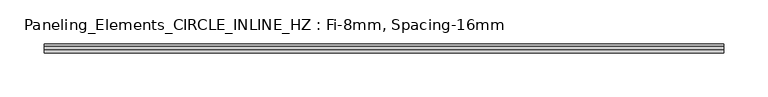
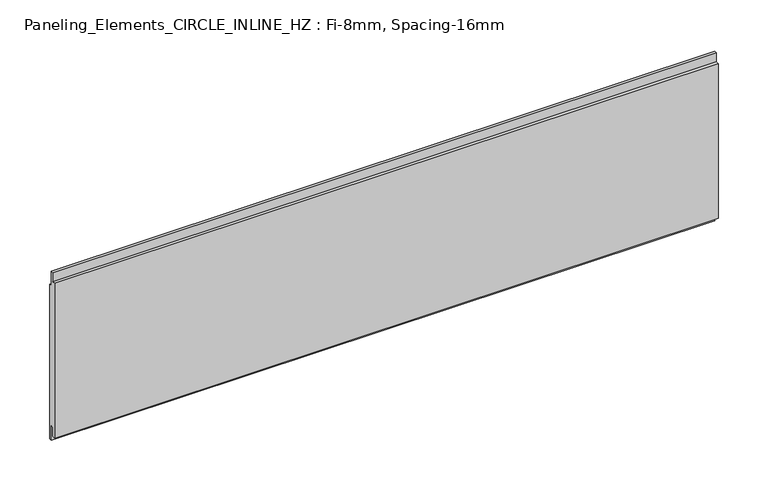
"""IFC4 building model written with IfcOpenShell, lengths in millimetres: plate geometry, Paneling_Elements_CIRCLE_INLINE_HZ : Fi-8mm, Spacing-16mm."""

import ifcopenshell
import ifcopenshell.guid

model = None  # the IFC model being written
_history = None  # IfcOwnerHistory: only IFC2X3 demands one
_inside = {}  # id of a spatial element -> (the spatial element, [elements in it])
_under = {}  # id of a project, library or spatial element -> (it, [spatial elements below it])
_declared = {}  # id of a project -> (the project, [libraries it declares])
_typed = {}  # id of a type object -> (the type object, [elements of that type])
_made_of = {}  # id of a material, layer set ... -> (it, [elements and type objects made of it])


def new_model(schema):
    """Start an empty IFC model of exactly this schema.

    Asked for "IFC4X3", IfcOpenShell would pick the latest addendum, in which some entities
    have other attributes; the version numbers below select the first issue.
    IFC2X3 requires an IfcOwnerHistory on every rooted entity: one is made here for all.
    """
    global model, _history
    if schema == "IFC4X3":
        model = ifcopenshell.file(schema_version=(4, 3, 0, 0))
    else:
        model = ifcopenshell.file(schema=schema)
    _inside.clear()
    _under.clear()
    _declared.clear()
    _typed.clear()
    _made_of.clear()
    _history = None
    if model.schema == "IFC2X3":
        org = make("IfcOrganization", Name="unknown")
        user = make(
            "IfcPersonAndOrganization",
            ThePerson=make("IfcPerson", FamilyName="unknown"),
            TheOrganization=org,
        )
        app = make(
            "IfcApplication",
            ApplicationDeveloper=org,
            Version="unknown",
            ApplicationFullName="unknown",
            ApplicationIdentifier="unknown",
        )
        _history = make(
            "IfcOwnerHistory",
            OwningUser=user,
            OwningApplication=app,
            ChangeAction="ADDED",
            CreationDate=0,
        )
    return model


def make(cls, **values):
    """One entity of the class cls with the attributes given. An attribute that is None is left unset."""
    return model.create_entity(
        cls, **{name: value for name, value in values.items() if value is not None}
    )


def rooted(cls, **values):
    """An entity with a GlobalId (a new one), such as an element, a storey or a relation."""
    return make(cls, GlobalId=ifcopenshell.guid.new(), OwnerHistory=_history, **values)


def si_unit(unit_type, name, prefix=None):
    """IfcSIUnit, for example si_unit("LENGTHUNIT", "METRE", prefix="MILLI")."""
    return make("IfcSIUnit", UnitType=unit_type, Prefix=prefix, Name=name)


def assignment(units):
    """IfcUnitAssignment: the units of a project."""
    return None if units is None else make("IfcUnitAssignment", Units=units)


def point(xyz):
    """IfcCartesianPoint."""
    return None if xyz is None else make("IfcCartesianPoint", Coordinates=xyz)


def direction(xyz):
    """IfcDirection."""
    return None if xyz is None else make("IfcDirection", DirectionRatios=xyz)


def frame(location, z_axis=None, x_axis=None):
    """IfcAxis2Placement3D, a coordinate frame: its origin and axes. An axis left out is left unset."""
    return make(
        "IfcAxis2Placement3D",
        Location=point(location),
        Axis=direction(z_axis),
        RefDirection=direction(x_axis),
    )


def origin():
    """The frame at (0, 0, 0) with its axes left unset."""
    return frame((0.0, 0.0, 0.0))


def place(relative_to, where):
    """IfcLocalPlacement: puts the frame where relative to a parent placement (None: the world)."""
    return make(
        "IfcLocalPlacement", PlacementRelTo=relative_to, RelativePlacement=where
    )


def context(
    kind, dimensions, precision=None, world=None, true_north=None, identifier=None
):
    """IfcGeometricRepresentationContext, for example the 3D "Model" context."""
    return make(
        "IfcGeometricRepresentationContext",
        ContextIdentifier=identifier,
        ContextType=kind,
        CoordinateSpaceDimension=dimensions,
        Precision=precision,
        WorldCoordinateSystem=world,
        TrueNorth=true_north,
    )


def project(units=None, contexts=None):
    """IfcProject with its units and contexts."""
    return rooted(
        "IfcProject",
        Name="project",
        RepresentationContexts=contexts,
        UnitsInContext=assignment(units),
    )


def spatial(cls, under=None, at=None, **own):
    """A site, building, storey or space (cls), placed at a placement, below another one or the project."""
    s = rooted(cls, ObjectPlacement=at, **own)
    if under is not None:
        _under.setdefault(under.id(), (under, []))[1].append(s)
    return s


def polyline(points):
    """IfcPolyline through the points."""
    return make("IfcPolyline", Points=[point(p) for p in points])


def outline(outer, holes=None, kind="AREA"):
    """IfcArbitraryClosedProfileDef: a profile drawn as a closed curve; with holes, ...WithVoids."""
    if holes is None:
        return make("IfcArbitraryClosedProfileDef", ProfileType=kind, OuterCurve=outer)
    return make(
        "IfcArbitraryProfileDefWithVoids",
        ProfileType=kind,
        OuterCurve=outer,
        InnerCurves=holes,
    )


def extrude(swept, where, along, depth):
    """IfcExtrudedAreaSolid: the profile swept, set in the frame where, extruded along a direction by depth."""
    return make(
        "IfcExtrudedAreaSolid",
        SweptArea=swept,
        Position=where,
        ExtrudedDirection=direction(along),
        Depth=depth,
    )


def shape(context_of_items, identifier, shape_type, items):
    """IfcShapeRepresentation: the items that make up one representation, for example the "Body"."""
    return make(
        "IfcShapeRepresentation",
        ContextOfItems=context_of_items,
        RepresentationIdentifier=identifier,
        RepresentationType=shape_type,
        Items=items,
    )


def source(mapping_origin, context_of_items, identifier, shape_type, items):
    """IfcRepresentationMap: a shape defined once, which mapped items show again and again."""
    return make(
        "IfcRepresentationMap",
        MappingOrigin=mapping_origin,
        MappedRepresentation=shape(context_of_items, identifier, shape_type, items),
    )


def transform(
    local_origin,
    x_axis=None,
    y_axis=None,
    z_axis=None,
    scale=None,
    scale2=None,
    scale3=None,
    uniform=True,
):
    """IfcCartesianTransformationOperator3D, or its non-uniform kind. x_axis, y_axis, z_axis: its Axis1, 2, 3."""
    if uniform:
        return make(
            "IfcCartesianTransformationOperator3D",
            Axis1=direction(x_axis),
            Axis2=direction(y_axis),
            LocalOrigin=point(local_origin),
            Scale=scale,
            Axis3=direction(z_axis),
        )
    return make(
        "IfcCartesianTransformationOperator3DnonUniform",
        Axis1=direction(x_axis),
        Axis2=direction(y_axis),
        LocalOrigin=point(local_origin),
        Scale=scale,
        Axis3=direction(z_axis),
        Scale2=scale2,
        Scale3=scale3,
    )


def mapped(mapping_source, mapping_target):
    """IfcMappedItem: shows the shape of a source again, moved by a transform."""
    return make(
        "IfcMappedItem", MappingSource=mapping_source, MappingTarget=mapping_target
    )


def made_of(thing, what):
    """Note that an element or type object is made of a material, layer set ...; save() writes the relation."""
    if what is not None:
        _made_of.setdefault(what.id(), (what, []))[1].append(thing)
    return thing


def element(
    cls,
    number,
    at=None,
    inside=None,
    cuts=None,
    type_object=None,
    material=None,
    context=None,
    identifier="Body",
    shape_type=None,
    held_by="IfcProductDefinitionShape",
    body=None,
    shapes=None,
    **own,
):
    """One element of the class cls, such as IfcWall. Its Tag is "e" and its number.

    at: its placement. inside: the storey or other place that contains it. cuts: it is an
    opening in that element (IfcRelVoidsElement). A single representation is given by context,
    identifier, shape_type and body (its items); several are given by shapes. held_by: the class
    of the entity that holds the representations. save() writes the other relations.
    """
    e = rooted(cls, Tag="e%d" % number, ObjectPlacement=at, **own)
    if body is not None:
        shapes = [shape(context, identifier, shape_type, body)]
    if shapes is not None:
        e.Representation = make(held_by, Representations=shapes)
    if inside is not None:
        _inside.setdefault(inside.id(), (inside, []))[1].append(e)
    if cuts is not None:
        rooted(
            "IfcRelVoidsElement", RelatingBuildingElement=cuts, RelatedOpeningElement=e
        )
    if type_object is not None:
        _typed.setdefault(type_object.id(), (type_object, []))[1].append(e)
    return made_of(e, material)


def aggregate(whole, parts):
    """IfcRelAggregates: a whole, such as a stair, and the parts it consists of."""
    return rooted("IfcRelAggregates", RelatingObject=whole, RelatedObjects=parts)


def save(model, path):
    """Write the relations noted so far, then the file.

    IfcRelAggregates (storeys below a building ...), IfcRelContainedInSpatialStructure (elements
    in a storey), IfcRelDefinesByType, IfcRelAssociatesMaterial and IfcRelDeclares: one each for
    every whole, place, type object, material and project.
    """
    for whole, parts in _under.values():
        aggregate(whole, parts)
    for where, things in _inside.values():
        rooted(
            "IfcRelContainedInSpatialStructure",
            RelatedElements=things,
            RelatingStructure=where,
        )
    for kind, things in _typed.values():
        rooted("IfcRelDefinesByType", RelatedObjects=things, RelatingType=kind)
    for what, things in _made_of.values():
        rooted("IfcRelAssociatesMaterial", RelatedObjects=things, RelatingMaterial=what)
    for by, libraries in _declared.values():
        rooted("IfcRelDeclares", RelatingContext=by, RelatedDefinitions=libraries)
    model.write(path)


def paneling_elements_circle_inline_hz_fi_8mm_spacing_16mm_af1fa37b(model_context):
    return source(origin(), model_context, "Body", "SweptSolid", [
        extrude(outline(polyline([(-1.0, 200.0), (2.0, 200.0), (2.0, 182.0), (5.0, 182.0), (5.0, -7.0), (2.0, -7.0), (2.0, 11.0), (-1.0, 11.0), (-1.0, 0.0), (-5.0, 0.0), (-5.0, 189.0), (-1.0, 189.0), (-1.0, 200.0)])), frame((-383.4, 0.0, 0.0), z_axis=(1.0, 0.0, 0.0), x_axis=(0.0, 1.0, 0.0)), (0.0, 0.0, 1.0), 766.8),
    ])


if __name__ == "__main__":
    model = new_model("IFC4")
    model_context = context("Model", 3, world=origin())
    ifc_project = project(units=[si_unit("LENGTHUNIT", "METRE", prefix="MILLI")], contexts=[model_context])
    site = spatial("IfcSite", under=ifc_project)
    building = spatial("IfcBuilding", under=site)
    placement = place(None, origin())
    paneling_elements_circle_inline_hz_fi_8mm_spacing_16mm_shape = paneling_elements_circle_inline_hz_fi_8mm_spacing_16mm_af1fa37b(model_context)
    element("IfcPlate", 1, ObjectType="Paneling_Elements_CIRCLE_INLINE_HZ : Fi-8mm, Spacing-16mm", at=placement, inside=building, context=model_context, shape_type="MappedRepresentation", body=[
        mapped(paneling_elements_circle_inline_hz_fi_8mm_spacing_16mm_shape, transform((0.0, 0.0, 0.0), x_axis=(1.0, 0.0, 0.0), y_axis=(0.0, 1.0, 0.0), z_axis=(0.0, 0.0, 1.0))),
    ])
    save(model, "model.ifc")
